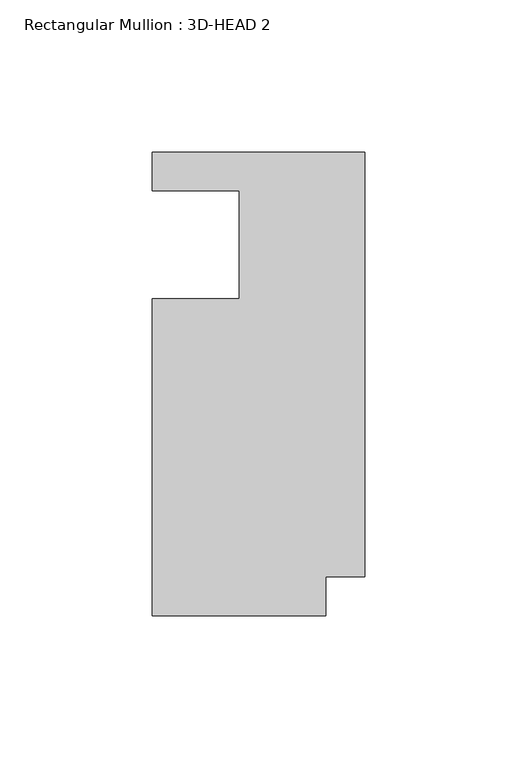
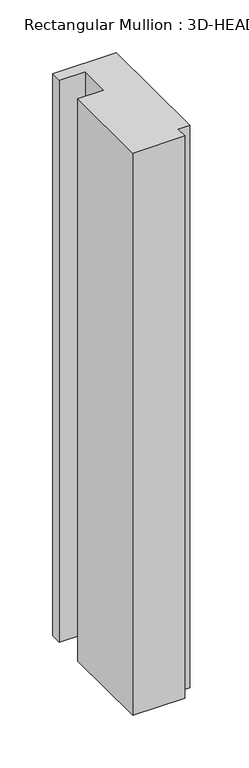
"""IFC4 building model written with IfcOpenShell, lengths in millimetres: member geometry, Rectangular Mullion : 3D-HEAD 2."""

from ifc_helpers import new_model, si_unit, frame, origin, place, context, project, spatial, polyline, outline, extrude, source, transform, mapped, element, save


def rectangular_mullion_3d_head_2_14845194(model_context):
    return source(origin(), model_context, "Body", "SweptSolid", [
        extrude(outline(polyline([(0.0, 76.2), (0.0, -63.4365), (-12.7, -63.4365), (-12.7, -76.2), (-69.85, -76.2), (-69.85, 28.0416), (-41.2496, 28.0416), (-41.2496, 63.5), (-69.85, 63.5), (-69.85, 76.2), (0.0, 76.2)])), frame((0.0, 0.0, -652.9345982), z_axis=(0.0, 0.0, 1.0), x_axis=(1.0, 0.0, 0.0)), (0.0, 0.0, 1.0), 652.9345982),
    ])


if __name__ == "__main__":
    model = new_model("IFC4")
    model_context = context("Model", 3, world=origin())
    ifc_project = project(units=[si_unit("LENGTHUNIT", "METRE", prefix="MILLI")], contexts=[model_context])
    site = spatial("IfcSite", under=ifc_project)
    building = spatial("IfcBuilding", under=site)
    placement = place(None, origin())
    rectangular_mullion_3d_head_2_shape = rectangular_mullion_3d_head_2_14845194(model_context)
    element("IfcMember", 1, ObjectType="Rectangular Mullion : 3D-HEAD 2", at=placement, inside=building, context=model_context, shape_type="MappedRepresentation", body=[
        mapped(rectangular_mullion_3d_head_2_shape, transform((0.0, 0.0, 0.0), x_axis=(1.0, 0.0, 0.0), y_axis=(0.0, 1.0, 0.0), z_axis=(0.0, 0.0, 1.0))),
    ])
    save(model, "model.ifc")
